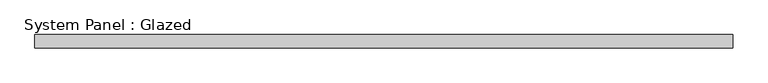
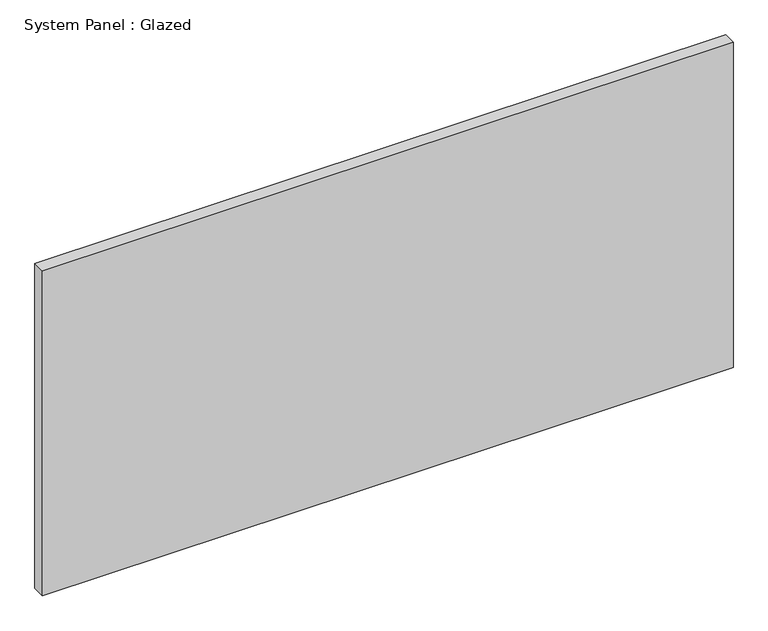
"""IFC4 building model written with IfcOpenShell, lengths in millimetres: plate geometry, System Panel : Glazed."""

from ifc_helpers import new_model, si_unit, origin, origin_with_axes, place, context, project, spatial, polyline, outline, extrude, source, transform, mapped, element, save


def system_panel_glazed_241685db(model_context):
    return source(origin(), model_context, "Body", "SweptSolid", [
        extrude(outline(polyline([(669.2841793, 19.05), (-669.2841793, 19.05), (-669.2841793, 44.45), (669.2841793, 44.45), (669.2841793, 19.05)])), origin_with_axes(), (0.0, 0.0, 1.0), 666.35),
    ])


if __name__ == "__main__":
    model = new_model("IFC4")
    model_context = context("Model", 3, world=origin())
    ifc_project = project(units=[si_unit("LENGTHUNIT", "METRE", prefix="MILLI")], contexts=[model_context])
    site = spatial("IfcSite", under=ifc_project)
    building = spatial("IfcBuilding", under=site)
    placement = place(None, origin())
    system_panel_glazed_shape = system_panel_glazed_241685db(model_context)
    element("IfcPlate", 1, ObjectType="System Panel : Glazed", at=placement, inside=building, context=model_context, shape_type="MappedRepresentation", body=[
        mapped(system_panel_glazed_shape, transform((0.0, 0.0, 0.0), x_axis=(1.0, 0.0, 0.0), y_axis=(0.0, 1.0, 0.0), z_axis=(0.0, 0.0, 1.0))),
    ])
    save(model, "model.ifc")
